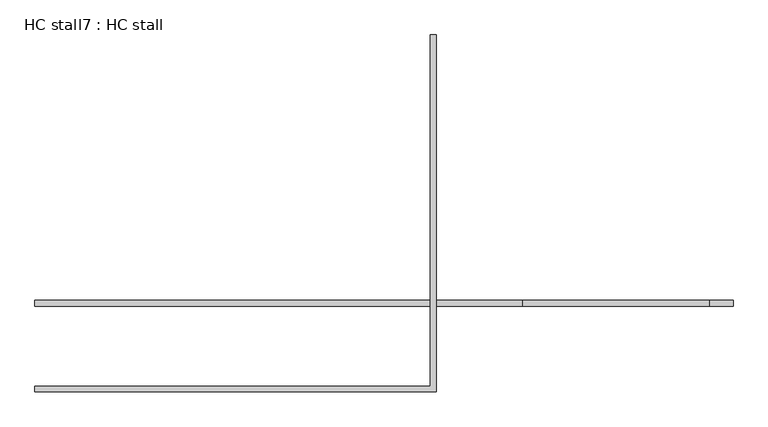
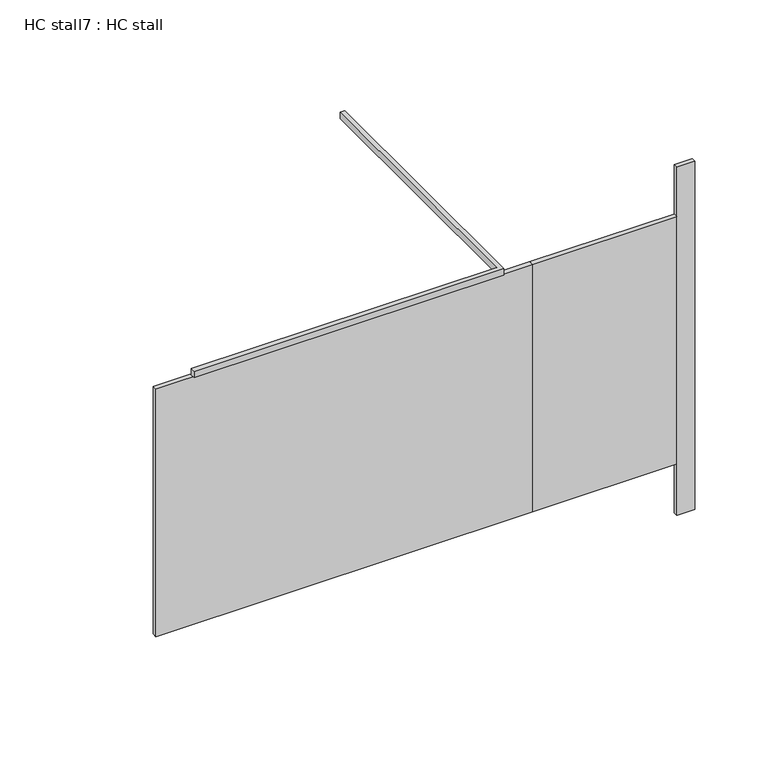
"""IFC4 building model written with IfcOpenShell, lengths in millimetres: proxy geometry, HC stall7 : HC stall."""

from ifc_helpers import new_model, si_unit, frame, origin, origin_with_axes, place, context, project, spatial, polyline, outline, extrude, source, transform, mapped, element, save


def hc_stall7_hc_stall_d01effbc(model_context):
    return source(origin(), model_context, "Body", "SweptSolid", [
        extrude(outline(polyline([(268084.0879676, -260122.2080223), (268084.0879676, -260096.8080223), (270200.2254676, -260096.8080223), (270200.2254676, -260122.2080223), (268084.0879676, -260122.2080223)])), frame((0.0, 0.0, 304.8), z_axis=(0.0, 0.0, 1.0), x_axis=(1.0, 0.0, 0.0)), (0.0, 0.0, 1.0), 1473.2),
        extrude(outline(polyline([(271013.0254676, -260096.8080223), (271114.6254676, -260096.8080223), (271114.6254676, -260122.2080223), (271013.0254676, -260122.2080223), (271013.0254676, -260096.8080223)])), origin_with_axes(), (0.0, 0.0, 1.0), 2070.1),
        extrude(outline(polyline([(269800.1754676, -260468.2830223), (269800.1754676, -258944.2830223), (269825.5754676, -258944.2830223), (269825.5754676, -260493.6830223), (268084.0879676, -260493.6830223), (268084.0879676, -260468.2830223), (269800.1754676, -260468.2830223)])), frame((0.0, 0.0, 2070.1), z_axis=(0.0, 0.0, 1.0), x_axis=(1.0, 0.0, 0.0)), (0.0, 0.0, 1.0), 38.1),
        extrude(outline(polyline([(270200.2254676, -260096.8080223), (271013.0254676, -260096.8080223), (271013.0254676, -260122.2080223), (270200.2254676, -260122.2080223), (270200.2254676, -260096.8080223)])), frame((0.0, 0.0, 304.8), z_axis=(0.0, 0.0, 1.0), x_axis=(1.0, 0.0, 0.0)), (0.0, 0.0, 1.0), 1473.2),
    ])


if __name__ == "__main__":
    model = new_model("IFC4")
    model_context = context("Model", 3, world=origin())
    ifc_project = project(units=[si_unit("LENGTHUNIT", "METRE", prefix="MILLI")], contexts=[model_context])
    site = spatial("IfcSite", under=ifc_project)
    building = spatial("IfcBuilding", under=site)
    placement = place(None, origin())
    hc_stall7_hc_stall_shape = hc_stall7_hc_stall_d01effbc(model_context)
    element("IfcBuildingElementProxy", 1, Name="HC stall7 : HC stall", ObjectType="HC stall7 : HC stall", at=placement, inside=building, context=model_context, shape_type="MappedRepresentation", body=[
        mapped(hc_stall7_hc_stall_shape, transform((0.0, 0.0, 0.0), x_axis=(1.0, 0.0, 0.0), y_axis=(0.0, 1.0, 0.0), z_axis=(0.0, 0.0, 1.0))),
    ])
    save(model, "model.ifc")
